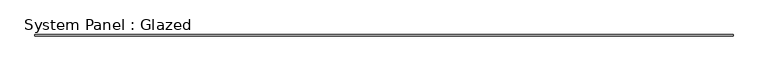
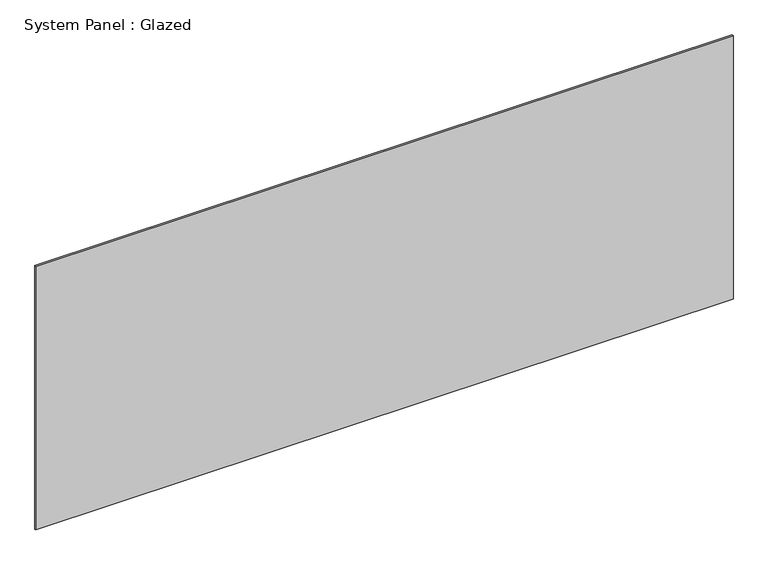
"""IFC4 building model written with IfcOpenShell, lengths in millimetres: plate geometry, System Panel : Glazed."""

from ifc_helpers import new_model, si_unit, origin, origin_with_axes, place, context, project, spatial, polyline, outline, extrude, source, transform, mapped, element, save


def system_panel_glazed_1f499c63(model_context):
    return source(origin(), model_context, "Body", "SweptSolid", [
        extrude(outline(polyline([(7620.0, 19.05), (-7620.0, 19.05), (-7620.0, 44.45), (7620.0, 44.45), (7620.0, 19.05)])), origin_with_axes(), (0.0, 0.0, 1.0), 6096.0),
    ])


if __name__ == "__main__":
    model = new_model("IFC4")
    model_context = context("Model", 3, world=origin())
    ifc_project = project(units=[si_unit("LENGTHUNIT", "METRE", prefix="MILLI")], contexts=[model_context])
    site = spatial("IfcSite", under=ifc_project)
    building = spatial("IfcBuilding", under=site)
    placement = place(None, origin())
    system_panel_glazed_shape = system_panel_glazed_1f499c63(model_context)
    element("IfcPlate", 1, ObjectType="System Panel : Glazed", at=placement, inside=building, context=model_context, shape_type="MappedRepresentation", body=[
        mapped(system_panel_glazed_shape, transform((0.0, 0.0, 0.0), x_axis=(1.0, 0.0, 0.0), y_axis=(0.0, 1.0, 0.0), z_axis=(0.0, 0.0, 1.0))),
    ])
    save(model, "model.ifc")
